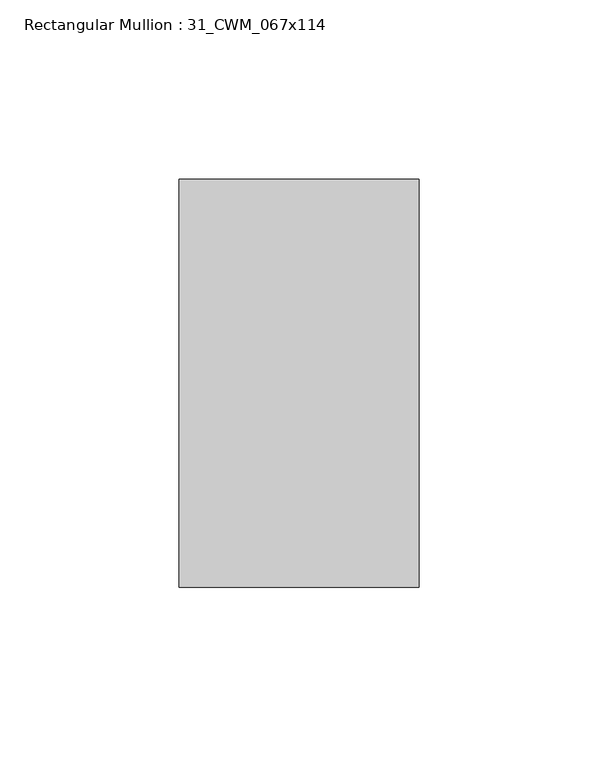
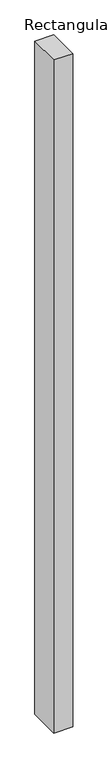
"""IFC4 building model written with IfcOpenShell, lengths in millimetres: member geometry, Rectangular Mullion : 31_CWM_067x114."""

from ifc_helpers import new_model, si_unit, frame, origin, place, context, project, spatial, polyline, outline, extrude, source, transform, mapped, element, save


def rectangular_mullion_31_cwm_067x114_9bbd88b8(model_context):
    return source(origin(), model_context, "Body", "SweptSolid", [
        extrude(outline(polyline([(0.0, 0.0), (0.0, -114.0), (-67.0, -114.0), (-67.0, 0.0), (0.0, 0.0)])), frame((0.0, 0.0, -2500.0), z_axis=(0.0, 0.0, 1.0), x_axis=(1.0, 0.0, 0.0)), (0.0, 0.0, 1.0), 2500.0),
    ])


if __name__ == "__main__":
    model = new_model("IFC4")
    model_context = context("Model", 3, world=origin())
    ifc_project = project(units=[si_unit("LENGTHUNIT", "METRE", prefix="MILLI")], contexts=[model_context])
    site = spatial("IfcSite", under=ifc_project)
    building = spatial("IfcBuilding", under=site)
    placement = place(None, origin())
    rectangular_mullion_31_cwm_067x114_shape = rectangular_mullion_31_cwm_067x114_9bbd88b8(model_context)
    element("IfcMember", 1, ObjectType="Rectangular Mullion : 31_CWM_067x114", at=placement, inside=building, context=model_context, shape_type="MappedRepresentation", body=[
        mapped(rectangular_mullion_31_cwm_067x114_shape, transform((0.0, 0.0, 0.0), x_axis=(1.0, 0.0, 0.0), y_axis=(0.0, 1.0, 0.0), z_axis=(0.0, 0.0, 1.0))),
    ])
    save(model, "model.ifc")
